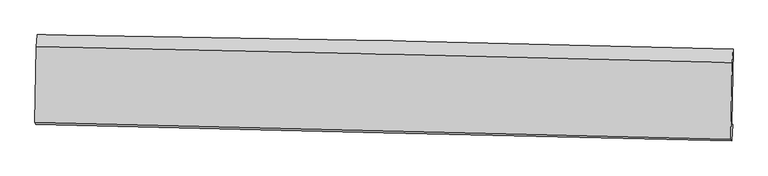
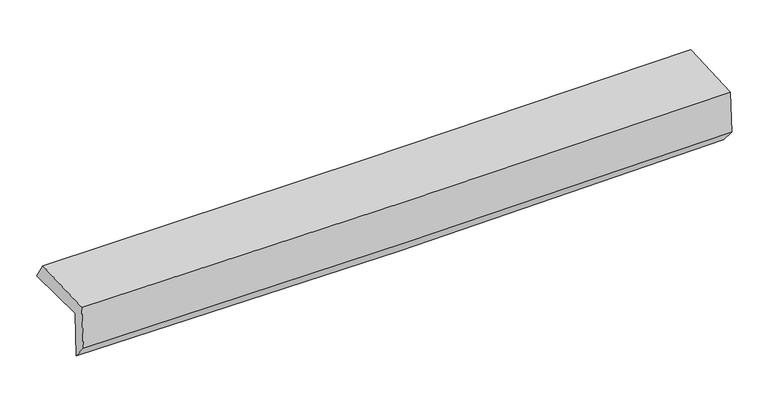
"""IFC4 building model written with IfcOpenShell, lengths in millimetres: proxy geometry."""

from ifc_helpers import new_model, si_unit, frame, origin, place, context, project, spatial, source, transform, mapped, element, save
from ifc_brep_helpers import plane_surface, spline_curve, spline_surface, advanced_brep


def generic_models_a197a4e4(model_context):
    return source(origin(), model_context, "Body", "AdvancedBrep", [
        advanced_brep(
        [(-3020.8000606, -1741.0672177, 1982.1972265), (-3007.3030468, -1096.6662396, 1963.5863401), (3009.9914377, -1219.6271343, 2095.9013481), (2996.4390415, -1872.0968739, 2109.2589276), (-3012.1263319, -1744.0246972, 1560.4585338), (3005.1667671, -1875.0727647, 1684.894769), (-3017.89234, -1872.8921407, 1712.2720464), (2998.893767, -2018.0793256, 1847.2979312), (-3025.9474649, -1857.3787007, 2116.476175), (2991.012686, -2002.9010784, 2242.7685778), (-3012.8396606, -1200.9980519, 2128.4293256), (3004.3204152, -1336.5090794, 2254.904042)],
        [
            (0, 1),
            (1, 2, spline_curve(3, [(-3007.3030468, -1096.6662396, 1963.5863401), (-2003.595918043, -1110.21256181, 1953.066205804), (-1000.305541867, -1127.232343439, 1958.832149898), (1005.4593009, -1168.219186719, 2002.936581209), (2007.9337528, -1192.186369531, 2041.275639805), (3009.9914377, -1219.6271343, 2095.9013481)], [4, 2, 4], [0.0, 9.876535459633645, 19.753244205194456])),
            (2, 3),
            (3, 0, spline_curve(3, [(2996.4390415, -1872.0968739, 2109.2589276), (1994.225192336, -1844.847489458, 2061.985982538), (991.67727424, -1820.303586808, 2027.761056328), (-1014.06910517, -1776.627129945, 1985.407613819), (-2017.267554258, -1757.4944802, 1977.278639413), (-3020.8000606, -1741.0672177, 1982.1972265)], [4, 2, 4], [0.0, 9.87670874556081, 19.753244205194456])),
            (4, 0),
            (3, 5),
            (5, 4, spline_curve(3, [(3005.1667671, -1875.0727647, 1684.894769), (2002.925988572, -1847.814197931, 1638.931195767), (1000.360105867, -1823.264170199, 1605.579742765), (-1005.404271839, -1779.581576408, 1564.101439904), (-2008.602755652, -1760.448914735, 1555.97414811), (-3012.1263319, -1744.0246972, 1560.4585338)], [4, 2, 4], [0.0, 9.876399302050169, 19.75262532360233])),
            (6, 4),
            (5, 7),
            (7, 6, spline_curve(3, [(2998.893767, -2018.0793256, 1847.2979312), (1996.354305644, -1993.525264935, 1813.099829215), (993.6813329, -1969.149197791, 1784.748573771), (-1011.914040755, -1920.753475762, 1739.740150467), (-2014.836436994, -1896.733814566, 1723.082777641), (-3017.89234, -1872.8921407, 1712.2720464)], [4, 2, 4], [0.0, 9.875946316046504, 19.751719359542594])),
            (8, 6),
            (7, 9),
            (9, 8, spline_curve(3, [(2991.012686, -2002.9010784, 2242.7685778), (1988.452601411, -1978.307299068, 2209.605342503), (985.754813131, -1953.883439995, 2182.499318628), (-1019.898575077, -1905.375986538, 2140.402063671), (-2022.854170722, -1881.292386713, 2125.410619859), (-3025.9474649, -1857.3787007, 2116.476175)], [4, 2, 4], [0.0, 9.87569657442784, 19.75121988068696])),
            (10, 8),
            (9, 11),
            (11, 10, spline_curve(3, [(3004.3204152, -1336.5090794, 2254.904042), (2001.793597905, -1310.24941716, 2221.771143674), (999.095782803, -1285.826917513, 2194.665094986), (-1006.624248564, -1240.656639145, 2152.507067847), (-2009.646458454, -1219.908796684, 2137.454877559), (-3012.8396606, -1200.9980519, 2128.4293256)], [4, 2, 4], [0.0, 9.875676906750488, 19.751180545677325])),
            (1, 10),
            (11, 2),
        ],
        [
            spline_surface(3, 3, [[(-3020.8000606, -1741.0672177, 1982.1972265), (-2017.267554195, -1757.494480122, 1977.278639565), (-1014.069105007, -1776.627129815, 1985.40761381), (991.677274077, -1820.303586938, 2027.761056337), (1994.225192266, -1844.847489332, 2061.985982442), (2996.4390415, -1872.0968739, 2109.2589276)], [(-3016.301056028, -1526.266891685, 1975.993597703), (-2012.71034217, -1541.733840652, 1969.207828369), (-1009.481250624, -1560.162201074, 1976.549125855), (996.271283038, -1602.942120156, 2019.486231266), (1998.794712481, -1627.293782765, 2055.082534894), (3000.956506906, -1654.606960715, 2104.806401098)], [(-3011.802051372, -1311.466565615, 1969.789968897), (-2008.153130059, -1325.973201128, 1961.137017162), (-1004.893396277, -1343.69727232, 1967.690637919), (1000.865291965, -1385.580653361, 2011.211406214), (2003.364232679, -1409.740076152, 2048.179087353), (3005.473972294, -1437.117047485, 2100.353874602)], [(-3007.3030468, -1096.6662396, 1963.5863401), (-2003.595918034, -1110.212561659, 1953.066205966), (-1000.305541894, -1127.232343579, 1958.832149964), (1005.459300926, -1168.21918658, 2002.936581143), (2007.933752894, -1192.186369585, 2041.275639806), (3009.9914377, -1219.6271343, 2095.9013481)]], [4, 4], [4, 2, 4], [0.0, 2.1371145956254445], [0.0, 9.876535459633645, 19.753244205194456]),
            spline_surface(3, 3, [[(-3012.1263319, -1744.0246972, 1560.4585338), (-2008.602755538, -1760.448914747, 1555.974148257), (-1005.404271852, -1779.581576244, 1564.101440066), (1000.360105881, -1823.264170363, 1605.579742603), (2002.925988544, -1847.814198046, 1638.931195814), (3005.1667671, -1875.0727647, 1684.894769)], [(-3015.017574788, -1743.038870683, 1701.038098037), (-2011.491021745, -1759.464103189, 1696.408978697), (-1008.292549593, -1778.596760753, 1704.5368313), (997.46582859, -1822.277309206, 1746.306847167), (2000.025723133, -1846.825295121, 1779.949458012), (3002.257525248, -1874.08080108, 1826.349488522)], [(-3017.908817712, -1742.053044217, 1841.617662263), (-2014.379287988, -1758.479291681, 1836.843809125), (-1011.180827266, -1777.611945306, 1844.972222576), (994.571551367, -1821.290448094, 1887.033951773), (1997.125457678, -1845.836392256, 1920.967720243), (2999.348283352, -1873.08883752, 1967.804208078)], [(-3020.8000606, -1741.0672177, 1982.1972265), (-2017.267554195, -1757.494480122, 1977.278639565), (-1014.069105007, -1776.627129815, 1985.40761381), (991.677274077, -1820.303586938, 2027.761056337), (1994.225192266, -1844.847489332, 2061.985982442), (2996.4390415, -1872.0968739, 2109.2589276)]], [4, 4], [4, 2, 4], [0.0, 1.384000344950965], [0.0, 9.876226021552162, 19.75262532360233]),
            spline_surface(3, 3, [[(-3017.89234, -1872.8921407, 1712.2720464), (-2014.836437111, -1896.73381444, 1723.082777793), (-1011.914040774, -1920.753475749, 1739.740150573), (993.68133292, -1969.149197804, 1784.748573665), (1996.354305566, -1993.525264795, 1813.099829175), (2998.893767, -2018.0793256, 1847.2979312)], [(-3015.970337302, -1829.9363262, 1661.667542189), (-2012.758543255, -1851.305514543, 1667.379901271), (-1009.744117793, -1873.696175937, 1681.193913762), (995.90759058, -1920.520855346, 1725.025630002), (1998.54486654, -1944.954909205, 1755.043618079), (3000.984767015, -1970.41047196, 1793.163543824)], [(-3014.048334598, -1786.9805117, 1611.063038011), (-2010.680649394, -1805.877214644, 1611.677024779), (-1007.574194833, -1826.638876056, 1622.647676877), (998.13384822, -1871.89251282, 1665.302686266), (2000.73542757, -1896.384553635, 1696.98740691), (3003.075767085, -1922.74161834, 1739.029156376)], [(-3012.1263319, -1744.0246972, 1560.4585338), (-2008.602755538, -1760.448914747, 1555.974148257), (-1005.404271852, -1779.581576244, 1564.101440066), (1000.360105881, -1823.264170363, 1605.579742603), (2002.925988544, -1847.814198046, 1638.931195814), (3005.1667671, -1875.0727647, 1684.894769)]], [4, 4], [4, 2, 4], [0.0, 0.7489807900623191], [0.0, 9.87577304349609, 19.751719359542594]),
            spline_surface(3, 3, [[(-3025.9474649, -1857.3787007, 2116.476175), (-2022.854170698, -1881.292386717, 2125.410619811), (-1019.89857522, -1905.375986616, 2140.402063624), (985.754813275, -1953.883439917, 2182.499318675), (1988.452601371, -1978.307299192, 2209.60534247), (2991.012686, -2002.9010784, 2242.7685778)], [(-3023.262423248, -1862.549847391, 1981.741465469), (-2020.181592817, -1886.439529316, 1991.30133914), (-1017.237063749, -1910.501816314, 2006.848092593), (988.396986479, -1958.972025865, 2049.915736991), (1991.086502767, -1983.379954388, 2077.436838033), (2993.639712997, -2007.960494128, 2110.945028928)], [(-3020.577381652, -1867.720994009, 1847.006755931), (-2017.509014992, -1891.586671841, 1857.192058464), (-1014.575552245, -1915.627646052, 1873.294121604), (991.039159716, -1964.060611855, 1917.33215535), (1993.72040417, -1988.452609599, 1945.268333612), (2996.266740003, -2013.019909872, 1979.121480072)], [(-3017.89234, -1872.8921407, 1712.2720464), (-2014.836437111, -1896.73381444, 1723.082777793), (-1011.914040774, -1920.753475749, 1739.740150573), (993.68133292, -1969.149197804, 1784.748573665), (1996.354305566, -1993.525264795, 1813.099829175), (2998.893767, -2018.0793256, 1847.2979312)]], [4, 4], [4, 2, 4], [0.0, 1.3109561122682545], [0.0, 9.87552330625912, 19.75121988068696]),
            spline_surface(3, 3, [[(-3012.8396606, -1200.9980519, 2128.4293256), (-2009.646458553, -1219.908796572, 2137.454877471), (-1006.624248525, -1240.656639302, 2152.507067743), (999.095782764, -1285.826917356, 2194.665095089), (2001.793597959, -1310.249417088, 2221.771143567), (3004.3204152, -1336.5090794, 2254.904042)], [(-3017.208928707, -1419.79160149, 2124.444942076), (-2014.049029275, -1440.369993277, 2133.440124927), (-1011.049024072, -1462.229755063, 2148.472066376), (994.648792952, -1508.512424865, 2190.60983629), (1997.346599097, -1532.93537779, 2217.715876515), (2999.884505467, -1558.639745734, 2250.858887247)], [(-3021.578196793, -1638.58515111, 2120.460558524), (-2018.451599976, -1660.831190011, 2129.425372354), (-1015.473799673, -1683.802870856, 2144.437064991), (990.201803087, -1731.197932407, 2186.554577474), (1992.899600233, -1755.621338489, 2213.660609522), (2995.448595733, -1780.770412066, 2246.813732553)], [(-3025.9474649, -1857.3787007, 2116.476175), (-2022.854170698, -1881.292386717, 2125.410619811), (-1019.89857522, -1905.375986616, 2140.402063624), (985.754813275, -1953.883439917, 2182.499318675), (1988.452601371, -1978.307299192, 2209.60534247), (2991.012686, -2002.9010784, 2242.7685778)]], [4, 4], [4, 2, 4], [0.0, 2.18711053941595], [0.0, 9.875503638926837, 19.751180545677325]),
            spline_surface(3, 3, [[(-3007.3030468, -1096.6662396, 1963.5863401), (-2003.595918034, -1110.212561659, 1953.066205966), (-1000.305541894, -1127.232343579, 1958.832149964), (1005.459300926, -1168.21918658, 2002.936581143), (2007.933752894, -1192.186369585, 2041.275639806), (3009.9914377, -1219.6271343, 2095.9013481)], [(-3009.148584726, -1131.44351035, 2018.534001925), (-2005.612764867, -1146.77797328, 2014.529096459), (-1002.411777441, -1165.040442165, 2023.390455895), (1003.338128202, -1207.421763516, 2066.846085797), (2005.887034582, -1231.540718767, 2101.44080774), (3008.101096867, -1258.587782681, 2148.90224608)], [(-3010.994122674, -1166.22078115, 2073.481663775), (-2007.62961172, -1183.34338495, 2075.991986977), (-1004.518012978, -1202.848540716, 2087.948761812), (1001.216955488, -1246.624340419, 2130.755590436), (2003.840316271, -1270.895067906, 2161.605975633), (3006.210756033, -1297.548431019, 2201.90314402)], [(-3012.8396606, -1200.9980519, 2128.4293256), (-2009.646458553, -1219.908796572, 2137.454877471), (-1006.624248525, -1240.656639302, 2152.507067743), (999.095782764, -1285.826917356, 2194.665095089), (2001.793597959, -1310.249417088, 2221.771143567), (3004.3204152, -1336.5090794, 2254.904042)]], [4, 4], [4, 2, 4], [0.0, 0.7374092720617964], [0.0, 9.876004716207172, 19.7521827090295]),
            plane_surface(frame((3000.9706858, -1720.7143761, 2039.1709326), z_axis=(0.9995788298776044, -0.020338382317977435, 0.02070055712311189), x_axis=(0.019909750217588815, -0.03834437312499721, -0.9990662194749277))),
            plane_surface(frame((-3016.1514841, -1585.504508, 1910.5699412), z_axis=(-0.9995788298775719, 0.020338382319955207, -0.020700557122742682), x_axis=(-0.02093173792447061, -0.999364205738851, 0.028862547278729476))),
        ],
        [
            (0, [[1, 2, 3, 4]]),
            (1, [[5, -4, 6, 7]]),
            (2, [[8, -7, 9, 10]]),
            (3, [[11, -10, 12, 13]]),
            (4, [[14, -13, 15, 16]]),
            (5, [[17, -16, 18, -2]]),
            (6, [[-12, -9, -6, -3, -18, -15]]),
            (7, [[-1, -5, -8, -11, -14, -17]]),
        ],
    ),
    ])


if __name__ == "__main__":
    model = new_model("IFC4")
    model_context = context("Model", 3, world=origin())
    ifc_project = project(units=[si_unit("LENGTHUNIT", "METRE", prefix="MILLI")], contexts=[model_context])
    site = spatial("IfcSite", under=ifc_project)
    building = spatial("IfcBuilding", under=site)
    placement = place(None, origin())
    generic_models_shape = generic_models_a197a4e4(model_context)
    element("IfcBuildingElementProxy", 1, Name="Generic Models", at=placement, inside=building, context=model_context, shape_type="MappedRepresentation", body=[
        mapped(generic_models_shape, transform((0.0, 0.0, 0.0), x_axis=(1.0, 0.0, 0.0), y_axis=(0.0, 1.0, 0.0), z_axis=(0.0, 0.0, 1.0))),
    ])
    save(model, "model.ifc")
